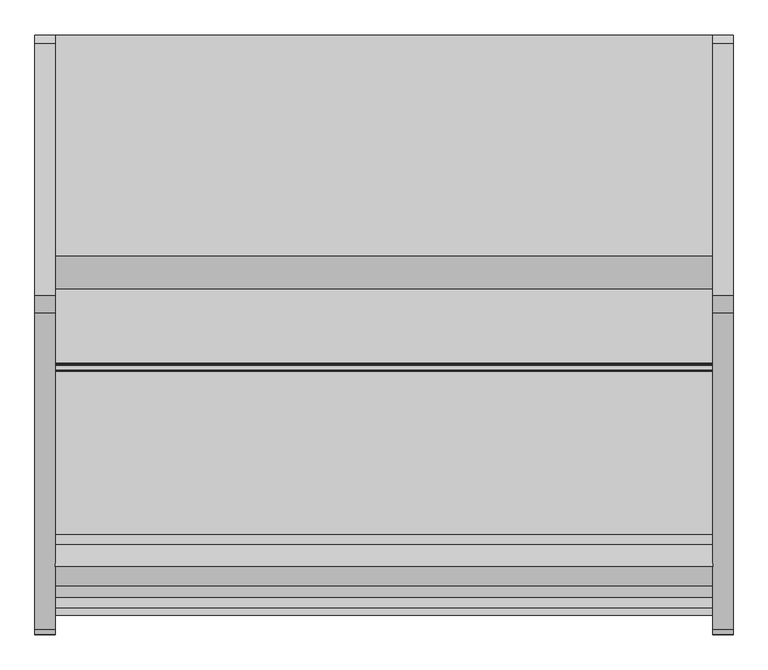
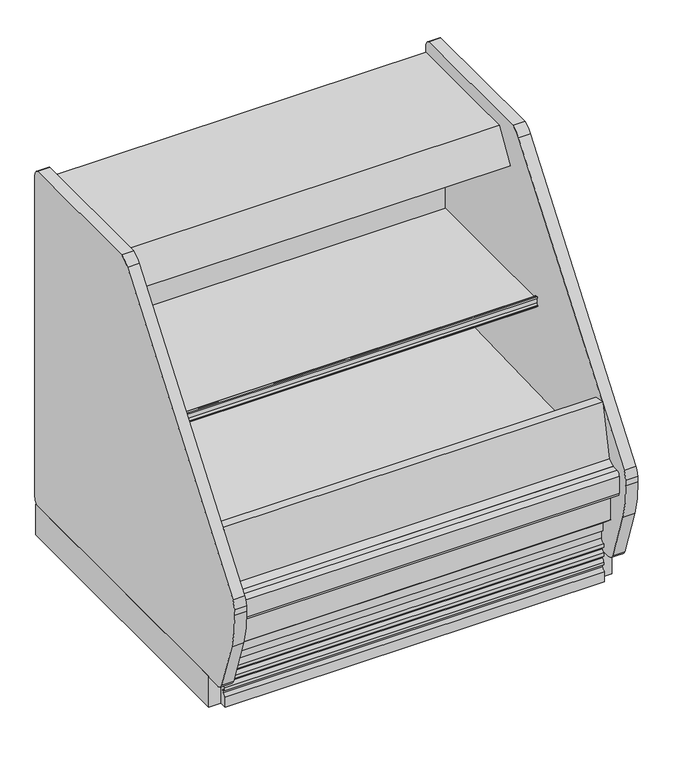
"""IFC4 building model written with IfcOpenShell, lengths in millimetres: proxy geometry."""

from ifc_helpers import new_model, si_unit, point, frame, frame_2d, origin, place, context, project, spatial, polyline, circle_curve, trimmed, segment, composite_curve, outline, extrude, source, transform, mapped, element, save


def mechanical_equipment_8fae7544(model_context):
    return source(origin(), model_context, "Body", "SweptSolid", [
        extrude(outline(polyline([(-38.1, 711.6798615), (-38.1, 1676.4817512), (0.0, 1676.4817512), (0.0, 711.6798615), (-38.1, 711.6798615)])), frame((0.0, 0.0, -11.3168344), z_axis=(0.0, 0.0, 1.0), x_axis=(1.0, 0.0, 0.0)), (0.0, 0.0, 1.0), 104.8514253),
        extrude(outline(composite_curve([segment(trimmed(circle_curve(frame_2d((1654.2567512, 115.824)), 25.4), [point((1679.6567512, 115.824))], [point((1654.2567512, 90.424))], False, "CARTESIAN"), True, "CONTINUOUS"), segment(polyline([(1654.2567512, 90.424), (663.8091512, 90.424)]), True, "CONTINUOUS"), segment(trimmed(circle_curve(frame_2d((663.8091512, 115.824)), 25.4), [point((663.8091512, 90.424))], [point((640.0585823, 106.8200855))], False, "CARTESIAN"), True, "CONTINUOUS"), segment(polyline([(640.0585823, 106.8200855), (583.366812, 271.4649415)]), True, "CONTINUOUS"), segment(trimmed(circle_curve(frame_2d((873.0738926, 371.2190892)), 306.4002), [point((583.366812, 271.4649415))], [point((567.1589099, 388.45585))], False, "CARTESIAN"), True, "CONTINUOUS"), segment(polyline([(567.1589099, 388.45585), (568.1644935, 406.3027696)]), True, "CONTINUOUS"), segment(trimmed(circle_curve(frame_2d((628.296424, 402.9146397)), 60.2273068), [point((568.1644935, 406.3027696))], [point((577.139934, 434.7005174))], False, "CARTESIAN"), True, "CONTINUOUS"), segment(polyline([(577.139934, 434.7005174), (1164.6180638, 1208.5085359)]), True, "CONTINUOUS"), segment(trimmed(circle_curve(frame_2d((1216.0137543, 1169.488723)), 64.5295498), [point((1164.6180638, 1208.5085359))], [point((1196.9254855, 1231.130436))], False, "CARTESIAN"), True, "CONTINUOUS"), segment(polyline([(1196.9254855, 1231.130436), (1664.8043866, 1231.130436)]), True, "CONTINUOUS"), segment(trimmed(circle_curve(frame_2d((1654.2567512, 1208.024)), 25.4), [point((1664.8043866, 1231.130436))], [point((1679.6567512, 1208.024))], False, "CARTESIAN"), True, "CONTINUOUS"), segment(polyline([(1679.6567512, 1208.024), (1679.6567512, 115.824)]), True, "CONTINUOUS")], self_intersect=False)), frame((-38.1, 0.0, 0.0), z_axis=(1.0, 0.0, 0.0), x_axis=(0.0, 1.0, 0.0)), (0.0, 0.0, 1.0), 38.1),
        extrude(outline(polyline([(1219.2, 711.6798615), (1219.2, 1679.6567512), (1257.3, 1679.6567512), (1257.3, 711.6798615), (1219.2, 711.6798615)])), frame((0.0, 0.0, -11.3168344), z_axis=(0.0, 0.0, 1.0), x_axis=(1.0, 0.0, 0.0)), (0.0, 0.0, 1.0), 104.8514253),
        extrude(outline(composite_curve([segment(trimmed(circle_curve(frame_2d((1654.2567512, 115.824)), 25.4), [point((1679.6567512, 115.824))], [point((1654.2567512, 90.424))], False, "CARTESIAN"), True, "CONTINUOUS"), segment(polyline([(1654.2567512, 90.424), (663.8091512, 90.424)]), True, "CONTINUOUS"), segment(trimmed(circle_curve(frame_2d((663.8091512, 115.824)), 25.4), [point((663.8091512, 90.424))], [point((640.0585823, 106.8200855))], False, "CARTESIAN"), True, "CONTINUOUS"), segment(polyline([(640.0585823, 106.8200855), (583.366812, 271.4649415)]), True, "CONTINUOUS"), segment(trimmed(circle_curve(frame_2d((873.0738926, 371.2190892)), 306.4002), [point((583.366812, 271.4649415))], [point((567.1589099, 388.45585))], False, "CARTESIAN"), True, "CONTINUOUS"), segment(polyline([(567.1589099, 388.45585), (568.1644935, 406.3027696)]), True, "CONTINUOUS"), segment(trimmed(circle_curve(frame_2d((628.296424, 402.9146397)), 60.2273068), [point((568.1644935, 406.3027696))], [point((577.139934, 434.7005174))], False, "CARTESIAN"), True, "CONTINUOUS"), segment(polyline([(577.139934, 434.7005174), (1164.6180638, 1208.5085359)]), True, "CONTINUOUS"), segment(trimmed(circle_curve(frame_2d((1216.0137543, 1169.488723)), 64.5295498), [point((1164.6180638, 1208.5085359))], [point((1196.9254855, 1231.130436))], False, "CARTESIAN"), True, "CONTINUOUS"), segment(polyline([(1196.9254855, 1231.130436), (1664.8043866, 1231.130436)]), True, "CONTINUOUS"), segment(trimmed(circle_curve(frame_2d((1654.2567512, 1208.024)), 25.4), [point((1664.8043866, 1231.130436))], [point((1679.6567512, 1208.024))], False, "CARTESIAN"), True, "CONTINUOUS"), segment(polyline([(1679.6567512, 1208.024), (1679.6567512, 115.824)]), True, "CONTINUOUS")], self_intersect=False)), frame((1219.2, 0.0, 0.0), z_axis=(1.0, 0.0, 0.0), x_axis=(0.0, 1.0, 0.0)), (0.0, 0.0, 1.0), 38.1),
        extrude(outline(polyline([(700.6989891, 429.4188157), (703.0591015, 429.4188157), (703.0591015, 354.7248198), (651.5915009, 354.7248198), (651.5915009, 397.6615582), (654.8785028, 409.9288162), (694.4586598, 400.0603747), (700.6989891, 429.4188157)])), frame((0.0, 0.0, 0.0), z_axis=(1.0, 0.0, 0.0), x_axis=(0.0, 1.0, 0.0)), (0.0, 0.0, 1.0), 1219.2),
        extrude(outline(composite_curve([segment(polyline([(870.0317512, 13.1861931), (802.6421421, -10.0179102), (685.8817512, -10.0179102), (685.8817512, 24.1551363)]), True, "CONTINUOUS"), segment(trimmed(circle_curve(frame_2d((685.2131661, 37.1859194)), 13.0479237), [point((685.8817512, 24.1551363))], [point((697.6951339, 33.3847624))], True, "CARTESIAN"), True, "CONTINUOUS"), segment(polyline([(697.6951339, 33.3847624), (701.3949328, 45.5338977), (688.7345978, 45.5338977), (688.7345978, 55.3266015)]), True, "CONTINUOUS"), segment(trimmed(circle_curve(frame_2d((681.8131487, 71.3264274)), 17.4327532), [point((688.7345978, 55.3266015))], [point((697.8129746, 64.4049783))], True, "CARTESIAN"), True, "CONTINUOUS"), segment(polyline([(697.8129746, 64.4049783), (701.0997968, 75.1980102), (688.7345978, 75.1980102), (688.7345978, 86.2266419)]), True, "CONTINUOUS"), segment(trimmed(circle_curve(frame_2d((679.7391667, 104.3064105)), 20.1939548), [point((688.7345978, 86.2266419))], [point((697.8189353, 95.3109794))], True, "CARTESIAN"), True, "CONTINUOUS"), segment(polyline([(697.8189353, 95.3109794), (701.2169039, 105.7688515), (688.7345978, 105.7688515), (688.7345978, 117.156214)]), True, "CONTINUOUS"), segment(trimmed(circle_curve(frame_2d((689.6775874, 129.8463901)), 12.725164), [point((688.7345978, 117.156214))], [point((702.3755024, 129.0140715))], True, "CARTESIAN"), True, "CONTINUOUS"), segment(polyline([(702.3755024, 129.0140715), (702.3755024, 157.4271822), (695.1666308, 157.4271822), (695.1666308, 184.3168811), (803.3567512, 93.5345909), (870.0317512, 93.5345909), (870.0317512, 13.1861931)]), True, "CONTINUOUS")], self_intersect=False)), frame((0.0, 0.0, 0.0), z_axis=(1.0, 0.0, 0.0), x_axis=(0.0, 1.0, 0.0)), (0.0, 0.0, 1.0), 1219.2),
        extrude(outline(polyline([(1219.2, 1644.9330022), (1219.2, 914.8798615), (0.0, 914.8798615), (0.0, 1644.9330022), (1219.2, 1644.9330022)])), frame((0.0, 0.0, 37.3530898), z_axis=(0.0, 0.0, 1.0), x_axis=(1.0, 0.0, 0.0)), (0.0, 0.0, 1.0), 19.8448583),
        extrude(outline(polyline([(1680.0548615, 88.1209301), (1680.0548615, -11.6054102), (1644.9330022, -11.6054102), (1644.9330022, 57.1979482), (914.8798615, 57.1979482), (914.8798615, -11.6054102), (870.0317512, -11.6054102), (870.0317512, 78.1978198), (885.3685223, 93.5345909), (1674.6412007, 93.5345909), (1680.0548615, 88.1209301)])), frame((0.0, 0.0, 0.0), z_axis=(1.0, 0.0, 0.0), x_axis=(0.0, 1.0, 0.0)), (0.0, 0.0, 1.0), 1219.2),
        extrude(outline(polyline([(1594.2644284, 1025.5206156), (1583.9071991, 1044.9997308), (1563.9166424, 1110.3858957), (1537.8698944, 1107.1877571), (1539.0842716, 1097.2974484), (1538.1925249, 1097.2974484), (1536.8775204, 1108.0072999), (1564.4826399, 1111.3967824), (1584.6185071, 1045.5353284), (1595.2605186, 1025.5206156), (1594.2644284, 1025.5206156)])), frame((0.0, 0.0, 0.0), z_axis=(1.0, 0.0, 0.0), x_axis=(0.0, 1.0, 0.0)), (0.0, 0.0, 1.0), 1219.2),
        extrude(outline(composite_curve([segment(trimmed(circle_curve(frame_2d((1066.8477421, 703.6034797)), 1.734506), [point((1065.1132361, 703.6034797))], [point((1068.582248, 703.6034797))], True, "CARTESIAN"), True, "CONTINUOUS"), segment(polyline([(1068.582248, 703.6034797), (1068.582248, 705.0737255), (1070.4287059, 705.0737255), (1068.582248, 700.7946899)]), True, "CONTINUOUS"), segment(trimmed(circle_curve(frame_2d((1067.4067309, 701.3019404)), 1.2802904), [point((1068.582248, 700.7946899))], [point((1067.4039712, 700.0216529))], False, "CARTESIAN"), True, "CONTINUOUS"), segment(polyline([(1067.4039712, 700.0216529), (1058.7511654, 698.4959298), (1056.4923111, 700.7547842), (1056.1496622, 702.6980422), (1056.9234845, 703.4718644), (1058.4083409, 701.987008), (1061.7901577, 709.8241295), (1062.7098676, 727.3732393), (1060.0804447, 730.0026622), (1057.9305027, 727.8527202), (1059.226652, 730.8564548), (1067.1098527, 730.8564548)]), True, "CONTINUOUS"), segment(trimmed(circle_curve(frame_2d((1067.1098527, 729.1064354)), 1.7500194), [point((1067.1098527, 730.8564548))], [point((1068.8597116, 729.0827352))], False, "CARTESIAN"), True, "CONTINUOUS"), segment(polyline([(1068.8597116, 729.0827352), (1070.2712946, 726.6378017), (1069.3976166, 725.7641238), (1067.3090201, 727.8527202)]), True, "CONTINUOUS"), segment(trimmed(circle_curve(frame_2d((1066.2111281, 726.7548282)), 1.5526537), [point((1067.3090201, 727.8527202))], [point((1065.1132361, 727.8527202))], True, "CARTESIAN"), True, "CONTINUOUS"), segment(polyline([(1065.1132361, 727.8527202), (1065.1132361, 703.6034797)]), True, "CONTINUOUS")], self_intersect=False)), frame((0.0, 0.0, 0.0), z_axis=(1.0, 0.0, 0.0), x_axis=(0.0, 1.0, 0.0)), (0.0, 0.0, 1.0), 1219.2),
        extrude(outline(composite_curve([segment(polyline([(1571.7067512, 590.2683077), (1164.9515694, 699.2580302), (1164.9515694, 705.6080302), (1069.7160764, 707.2703719)]), True, "CONTINUOUS"), segment(trimmed(circle_curve(frame_2d((1069.6643954, 704.309571)), 2.9612519), [point((1069.7160764, 707.2703719))], [point((1066.873464, 705.2993765))], True, "CARTESIAN"), True, "CONTINUOUS"), segment(polyline([(1066.873464, 705.2993765), (1066.873464, 703.3197655), (1065.9699458, 703.3197655), (1065.1132361, 727.8527202), (1066.636294, 727.8527202), (1066.636294, 726.4700324)]), True, "CONTINUOUS"), segment(trimmed(circle_curve(frame_2d((1071.2894642, 726.4700324)), 4.6531702), [point((1066.636294, 726.4700324))], [point((1071.7347347, 721.8382156))], True, "CARTESIAN"), True, "CONTINUOUS"), segment(polyline([(1071.7347347, 721.8382156), (1571.7067512, 721.8382156), (1571.7067512, 590.2683077)]), True, "CONTINUOUS")], self_intersect=False)), frame((0.0, 0.0, 0.0), z_axis=(1.0, 0.0, 0.0), x_axis=(0.0, 1.0, 0.0)), (0.0, 0.0, 1.0), 1219.2),
        extrude(outline(composite_curve([segment(polyline([(1571.7067512, 1025.5206156), (1627.7435615, 1025.5206156), (1627.7435615, 333.3706156)]), True, "CONTINUOUS"), segment(trimmed(circle_curve(frame_2d((1469.0306823, 333.3706156)), 158.7128792), [point((1627.7435615, 333.3706156))], [point((1479.9882796, 175.0364465))], False, "CARTESIAN"), True, "CONTINUOUS"), segment(polyline([(1479.9882796, 175.0364465), (867.2878037, 153.6404744)]), True, "CONTINUOUS"), segment(trimmed(circle_curve(frame_2d((861.7450621, 312.3638282)), 158.8201027), [point((867.2878037, 153.6404744))], [point((703.0591015, 305.8376557))], False, "CARTESIAN"), True, "CONTINUOUS"), segment(polyline([(703.0591015, 305.8376557), (703.0591015, 429.4188157), (752.5567512, 429.4188157), (752.5567512, 397.5309651), (1561.6244846, 420.3022108)]), True, "CONTINUOUS"), segment(trimmed(circle_curve(frame_2d((1563.2340553, 428.6206156)), 8.4726959), [point((1561.6244846, 420.3022108))], [point((1571.7067512, 428.6206156))], True, "CARTESIAN"), True, "CONTINUOUS"), segment(polyline([(1571.7067512, 428.6206156), (1571.7067512, 1025.5206156)]), True, "CONTINUOUS")], self_intersect=False)), frame((0.0, 0.0, 0.0), z_axis=(1.0, 0.0, 0.0), x_axis=(0.0, 1.0, 0.0)), (0.0, 0.0, 1.0), 1219.2),
        extrude(outline(polyline([(1538.1632807, 1106.4970423), (1564.1991995, 1108.7748901), (1578.0854554, 1009.9690449), (1552.2399004, 1006.336689), (1538.1632807, 1106.4970423)])), frame((0.0, 0.0, 0.0), z_axis=(1.0, 0.0, 0.0), x_axis=(0.0, 1.0, 0.0)), (0.0, 0.0, 1.0), 1219.2),
        extrude(outline(composite_curve([segment(trimmed(circle_curve(frame_2d((1358.1238906, 1106.7948199)), 16.8446497), [point((1341.279241, 1106.7948199))], [point((1374.9685403, 1106.7948199))], False, "CARTESIAN"), True, "CONTINUOUS"), segment(trimmed(circle_curve(frame_2d((1358.1238906, 1106.7948199)), 16.8446497), [point((1374.9685403, 1106.7948199))], [point((1341.279241, 1106.7948199))], False, "CARTESIAN"), True, "CONTINUOUS")], self_intersect=False)), frame((0.0, 0.0, 0.0), z_axis=(1.0, 0.0, 0.0), x_axis=(0.0, 1.0, 0.0)), (0.0, 0.0, 1.0), 1219.2),
        extrude(outline(composite_curve([segment(trimmed(circle_curve(frame_2d((1320.2582961, 1114.7419199)), 16.5044202), [point((1303.753876, 1114.7419199))], [point((1336.7627163, 1114.7419199))], False, "CARTESIAN"), True, "CONTINUOUS"), segment(trimmed(circle_curve(frame_2d((1320.2582961, 1114.7419199)), 16.5044202), [point((1336.7627163, 1114.7419199))], [point((1303.753876, 1114.7419199))], False, "CARTESIAN"), True, "CONTINUOUS")], self_intersect=False)), frame((0.0, 0.0, 0.0), z_axis=(1.0, 0.0, 0.0), x_axis=(0.0, 1.0, 0.0)), (0.0, 0.0, 1.0), 1219.2),
        extrude(outline(polyline([(1679.6567512, 1131.2227156), (1627.7435615, 1131.2227156), (1627.7435615, 1025.5206156), (1579.7211589, 1025.5206156), (1579.7211589, 1114.0995029), (1548.4749319, 1111.3658123), (1504.996271, 1120.6074869), (1416.096271, 1120.6074869), (1294.505766, 1146.4523466), (1258.0281137, 1085.9550083), (1246.4226285, 1092.9526857), (1234.6608201, 1073.4459998), (1209.4906614, 1085.4836281), (1270.0817512, 1185.9725418), (1679.6567512, 1185.9725418), (1679.6567512, 1131.2227156)])), frame((0.0, 0.0, 0.0), z_axis=(1.0, 0.0, 0.0), x_axis=(0.0, 1.0, 0.0)), (0.0, 0.0, 1.0), 1219.2),
        extrude(outline(composite_curve([segment(polyline([(651.5915009, 354.7248198), (703.0591015, 354.7248198), (703.0591015, 305.8376557)]), True, "CONTINUOUS"), segment(trimmed(circle_curve(frame_2d((858.7051913, 309.1162745)), 155.6806173), [point((703.0591015, 305.8376557))], [point((864.1383665, 153.5304936))], True, "CARTESIAN"), True, "CONTINUOUS"), segment(polyline([(864.1383665, 153.5304936), (1482.8625836, 175.1368194)]), True, "CONTINUOUS"), segment(trimmed(circle_curve(frame_2d((1474.1483918, 328.4845909)), 153.5951697), [point((1482.8625836, 175.1368194))], [point((1627.7435615, 328.4845909))], True, "CARTESIAN"), True, "CONTINUOUS"), segment(polyline([(1627.7435615, 328.4845909), (1627.7435615, 1131.2227156), (1679.6567512, 1131.2227156), (1679.6567512, 93.5345909), (803.3567512, 93.5345909), (651.5915009, 220.8807565), (651.5915009, 354.7248198)]), True, "CONTINUOUS")], self_intersect=False)), frame((0.0, 0.0, 0.0), z_axis=(1.0, 0.0, 0.0), x_axis=(0.0, 1.0, 0.0)), (0.0, 0.0, 1.0), 1219.2),
        extrude(outline(composite_curve([segment(polyline([(616.0317512, 411.9965181), (636.0759477, 411.9965181), (636.0759477, 327.8115582), (616.0317512, 327.8115582)]), True, "CONTINUOUS"), segment(trimmed(circle_curve(frame_2d((616.0317512, 340.5115582)), 12.7), [point((616.0317512, 327.8115582))], [point((603.3317512, 340.5115582))], False, "CARTESIAN"), True, "CONTINUOUS"), segment(polyline([(603.3317512, 340.5115582), (603.3317512, 399.2965181)]), True, "CONTINUOUS"), segment(trimmed(circle_curve(frame_2d((616.0317512, 399.2965181)), 12.7), [point((603.3317512, 399.2965181))], [point((616.0317512, 411.9965181))], False, "CARTESIAN"), True, "CONTINUOUS")], self_intersect=False)), frame((0.0, 0.0, 0.0), z_axis=(1.0, 0.0, 0.0), x_axis=(0.0, 1.0, 0.0)), (0.0, 0.0, 1.0), 1219.2),
        extrude(outline(polyline([(651.5915009, 397.6615582), (651.5915009, 321.4615582), (636.0759477, 321.4615582), (636.0759477, 412.0464767), (657.9070443, 424.1769838), (654.8785028, 409.9288162), (651.5915009, 397.6615582)])), frame((0.0, 0.0, 0.0), z_axis=(1.0, 0.0, 0.0), x_axis=(0.0, 1.0, 0.0)), (0.0, 0.0, 1.0), 1219.2),
        extrude(outline(polyline([(654.8785028, 409.9288162), (694.5625835, 596.6277373), (734.4387268, 588.1518014), (694.4586598, 400.0603747), (688.4106639, 401.5683094), (654.8785028, 409.9288162)])), frame((0.0, 0.0, 0.0), z_axis=(1.0, 0.0, 0.0), x_axis=(0.0, 1.0, 0.0)), (0.0, 0.0, 1.0), 1219.2),
    ])


if __name__ == "__main__":
    model = new_model("IFC4")
    model_context = context("Model", 3, world=origin())
    ifc_project = project(units=[si_unit("LENGTHUNIT", "METRE", prefix="MILLI")], contexts=[model_context])
    site = spatial("IfcSite", under=ifc_project)
    building = spatial("IfcBuilding", under=site)
    placement = place(None, origin())
    mechanical_equipment_shape = mechanical_equipment_8fae7544(model_context)
    element("IfcBuildingElementProxy", 1, Name="Mechanical Equipment", at=placement, inside=building, context=model_context, shape_type="MappedRepresentation", body=[
        mapped(mechanical_equipment_shape, transform((0.0, 0.0, 0.0), x_axis=(1.0, 0.0, 0.0), y_axis=(0.0, 1.0, 0.0), z_axis=(0.0, 0.0, 1.0))),
    ])
    save(model, "model.ifc")
